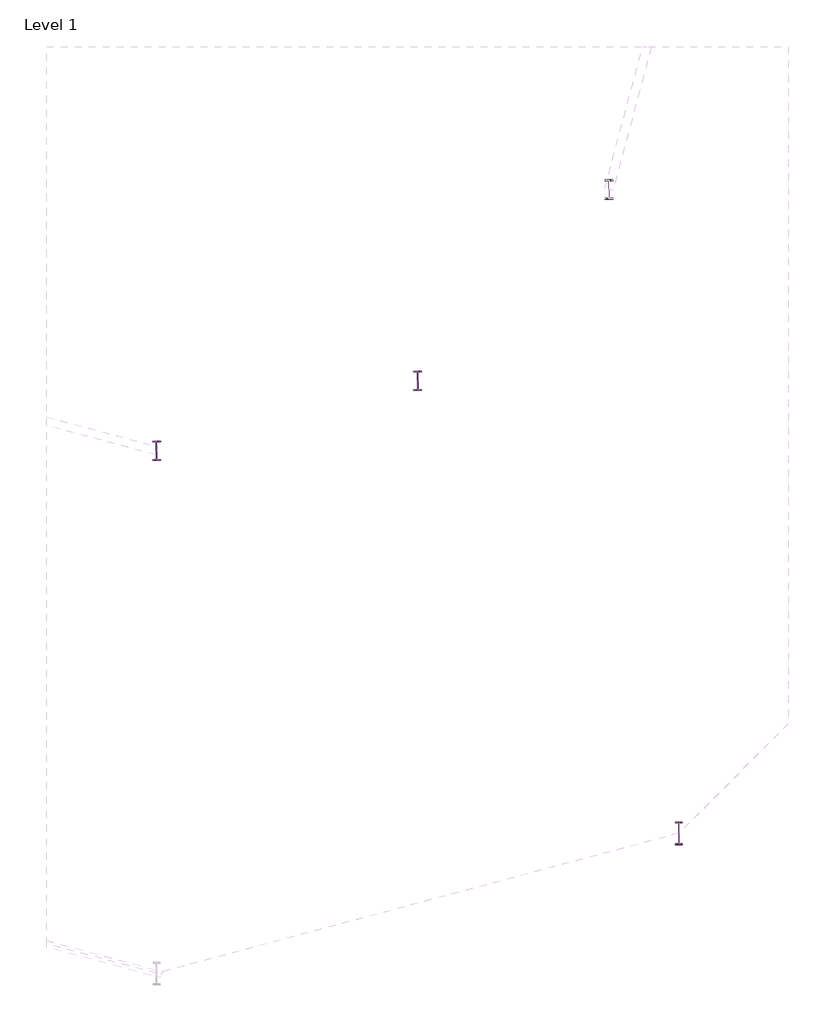
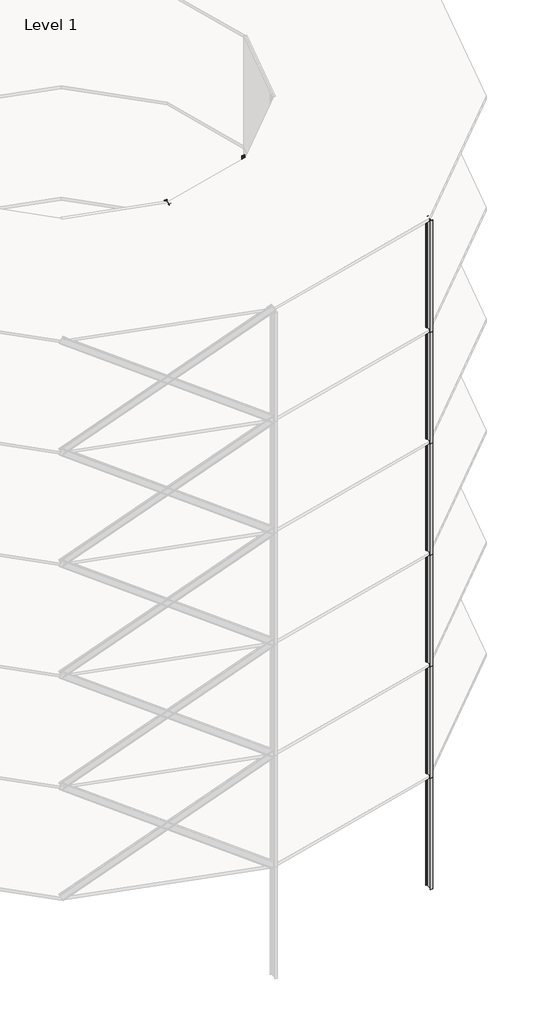
# One storey, part 3 of 9: 23 columns.
"""IFC4 building model written with IfcOpenShell, lengths in millimetres."""

from ifc_helpers import new_model, si_unit, point, frame, frame_2d, origin, origin_with_axes, place, context, project, spatial, polyline, circle_curve, trimmed, segment, composite_curve, outline, extrude, element, save

model = new_model("IFC4")

# Units and contexts
model_context = context("Model", 3, world=origin())
ifc_project = project(units=[si_unit("LENGTHUNIT", "METRE", prefix="MILLI")], contexts=[model_context])

# Site, building, storey
site = spatial("IfcSite", under=ifc_project)
building = spatial("IfcBuilding", under=site)
storey = spatial("IfcBuildingStorey", under=building, Name="Level 1", Elevation=0.0)

# Columns
placement = place(None, origin())
element("IfcColumn", 1, ObjectType="w shapes-column : W18X60", at=placement, inside=storey, context=model_context, shape_type="SweptSolid", body=[
    extrude(outline(composite_curve([segment(polyline([(96.012, -12268.8604), (96.012, -12286.6404), (15.494, -12286.6404)]), True, "CONTINUOUS"), segment(trimmed(circle_curve(frame_2d((15.494, -12296.8004)), 10.16), [point((15.494, -12286.6404))], [point((5.334, -12296.8004))], True, "CARTESIAN"), True, "CONTINUOUS"), segment(polyline([(5.334, -12296.8004), (5.334, -12703.2004)]), True, "CONTINUOUS"), segment(trimmed(circle_curve(frame_2d((15.494, -12703.2004)), 10.16), [point((5.334, -12703.2004))], [point((15.494, -12713.3604))], True, "CARTESIAN"), True, "CONTINUOUS"), segment(polyline([(15.494, -12713.3604), (96.012, -12713.3604), (96.012, -12731.1404), (-96.012, -12731.1404), (-96.012, -12713.3604), (-15.494, -12713.3604)]), True, "CONTINUOUS"), segment(trimmed(circle_curve(frame_2d((-15.494, -12703.2004)), 10.16), [point((-15.494, -12713.3604))], [point((-5.334, -12703.2004))], True, "CARTESIAN"), True, "CONTINUOUS"), segment(polyline([(-5.334, -12703.2004), (-5.334, -12296.8004)]), True, "CONTINUOUS"), segment(trimmed(circle_curve(frame_2d((-15.494, -12296.8004)), 10.16), [point((-5.334, -12296.8004))], [point((-15.494, -12286.6404))], True, "CARTESIAN"), True, "CONTINUOUS"), segment(polyline([(-15.494, -12286.6404), (-96.012, -12286.6404), (-96.012, -12268.8604), (96.012, -12268.8604)]), True, "CONTINUOUS")], self_intersect=False)), origin_with_axes(), (0.0, 0.0, 1.0), 8000.000256),
])
element("IfcColumn", 2, ObjectType="w shapes-column : W18X60", at=placement, inside=storey, context=model_context, shape_type="SweptSolid", body=[
    extrude(outline(composite_curve([segment(polyline([(96.012, -12268.8604), (96.012, -12286.6404), (15.494, -12286.6404)]), True, "CONTINUOUS"), segment(trimmed(circle_curve(frame_2d((15.494, -12296.8004)), 10.16), [point((15.494, -12286.6404))], [point((5.334, -12296.8004))], True, "CARTESIAN"), True, "CONTINUOUS"), segment(polyline([(5.334, -12296.8004), (5.334, -12703.2004)]), True, "CONTINUOUS"), segment(trimmed(circle_curve(frame_2d((15.494, -12703.2004)), 10.16), [point((5.334, -12703.2004))], [point((15.494, -12713.3604))], True, "CARTESIAN"), True, "CONTINUOUS"), segment(polyline([(15.494, -12713.3604), (96.012, -12713.3604), (96.012, -12731.1404), (-96.012, -12731.1404), (-96.012, -12713.3604), (-15.494, -12713.3604)]), True, "CONTINUOUS"), segment(trimmed(circle_curve(frame_2d((-15.494, -12703.2004)), 10.16), [point((-15.494, -12713.3604))], [point((-5.334, -12703.2004))], True, "CARTESIAN"), True, "CONTINUOUS"), segment(polyline([(-5.334, -12703.2004), (-5.334, -12296.8004)]), True, "CONTINUOUS"), segment(trimmed(circle_curve(frame_2d((-15.494, -12296.8004)), 10.16), [point((-5.334, -12296.8004))], [point((-15.494, -12286.6404))], True, "CARTESIAN"), True, "CONTINUOUS"), segment(polyline([(-15.494, -12286.6404), (-96.012, -12286.6404), (-96.012, -12268.8604), (96.012, -12268.8604)]), True, "CONTINUOUS")], self_intersect=False)), frame((0.0, 0.0, 8000.000256), z_axis=(0.0, 0.0, 1.0), x_axis=(1.0, 0.0, 0.0)), (0.0, 0.0, 1.0), 8000.000256),
])
element("IfcColumn", 3, ObjectType="w shapes-column : W18X60", at=placement, inside=storey, context=model_context, shape_type="SweptSolid", body=[
    extrude(outline(composite_curve([segment(polyline([(96.012, -12268.8604), (96.012, -12286.6404), (15.494, -12286.6404)]), True, "CONTINUOUS"), segment(trimmed(circle_curve(frame_2d((15.494, -12296.8004)), 10.16), [point((15.494, -12286.6404))], [point((5.334, -12296.8004))], True, "CARTESIAN"), True, "CONTINUOUS"), segment(polyline([(5.334, -12296.8004), (5.334, -12703.2004)]), True, "CONTINUOUS"), segment(trimmed(circle_curve(frame_2d((15.494, -12703.2004)), 10.16), [point((5.334, -12703.2004))], [point((15.494, -12713.3604))], True, "CARTESIAN"), True, "CONTINUOUS"), segment(polyline([(15.494, -12713.3604), (96.012, -12713.3604), (96.012, -12731.1404), (-96.012, -12731.1404), (-96.012, -12713.3604), (-15.494, -12713.3604)]), True, "CONTINUOUS"), segment(trimmed(circle_curve(frame_2d((-15.494, -12703.2004)), 10.16), [point((-15.494, -12713.3604))], [point((-5.334, -12703.2004))], True, "CARTESIAN"), True, "CONTINUOUS"), segment(polyline([(-5.334, -12703.2004), (-5.334, -12296.8004)]), True, "CONTINUOUS"), segment(trimmed(circle_curve(frame_2d((-15.494, -12296.8004)), 10.16), [point((-5.334, -12296.8004))], [point((-15.494, -12286.6404))], True, "CARTESIAN"), True, "CONTINUOUS"), segment(polyline([(-15.494, -12286.6404), (-96.012, -12286.6404), (-96.012, -12268.8604), (96.012, -12268.8604)]), True, "CONTINUOUS")], self_intersect=False)), frame((0.0, 0.0, 16000.000512), z_axis=(0.0, 0.0, 1.0), x_axis=(1.0, 0.0, 0.0)), (0.0, 0.0, 1.0), 8000.000256),
])
element("IfcColumn", 4, ObjectType="w shapes-column : W18X60", at=placement, inside=storey, context=model_context, shape_type="SweptSolid", body=[
    extrude(outline(composite_curve([segment(polyline([(96.012, -12268.8604), (96.012, -12286.6404), (15.494, -12286.6404)]), True, "CONTINUOUS"), segment(trimmed(circle_curve(frame_2d((15.494, -12296.8004)), 10.16), [point((15.494, -12286.6404))], [point((5.334, -12296.8004))], True, "CARTESIAN"), True, "CONTINUOUS"), segment(polyline([(5.334, -12296.8004), (5.334, -12703.2004)]), True, "CONTINUOUS"), segment(trimmed(circle_curve(frame_2d((15.494, -12703.2004)), 10.16), [point((5.334, -12703.2004))], [point((15.494, -12713.3604))], True, "CARTESIAN"), True, "CONTINUOUS"), segment(polyline([(15.494, -12713.3604), (96.012, -12713.3604), (96.012, -12731.1404), (-96.012, -12731.1404), (-96.012, -12713.3604), (-15.494, -12713.3604)]), True, "CONTINUOUS"), segment(trimmed(circle_curve(frame_2d((-15.494, -12703.2004)), 10.16), [point((-15.494, -12713.3604))], [point((-5.334, -12703.2004))], True, "CARTESIAN"), True, "CONTINUOUS"), segment(polyline([(-5.334, -12703.2004), (-5.334, -12296.8004)]), True, "CONTINUOUS"), segment(trimmed(circle_curve(frame_2d((-15.494, -12296.8004)), 10.16), [point((-5.334, -12296.8004))], [point((-15.494, -12286.6404))], True, "CARTESIAN"), True, "CONTINUOUS"), segment(polyline([(-15.494, -12286.6404), (-96.012, -12286.6404), (-96.012, -12268.8604), (96.012, -12268.8604)]), True, "CONTINUOUS")], self_intersect=False)), frame((0.0, 0.0, 24000.000768), z_axis=(0.0, 0.0, 1.0), x_axis=(1.0, 0.0, 0.0)), (0.0, 0.0, 1.0), 8000.000256),
])
element("IfcColumn", 5, ObjectType="w shapes-column : W18X60", at=placement, inside=storey, context=model_context, shape_type="SweptSolid", body=[
    extrude(outline(composite_curve([segment(polyline([(96.012, -12268.8604), (96.012, -12286.6404), (15.494, -12286.6404)]), True, "CONTINUOUS"), segment(trimmed(circle_curve(frame_2d((15.494, -12296.8004)), 10.16), [point((15.494, -12286.6404))], [point((5.334, -12296.8004))], True, "CARTESIAN"), True, "CONTINUOUS"), segment(polyline([(5.334, -12296.8004), (5.334, -12703.2004)]), True, "CONTINUOUS"), segment(trimmed(circle_curve(frame_2d((15.494, -12703.2004)), 10.16), [point((5.334, -12703.2004))], [point((15.494, -12713.3604))], True, "CARTESIAN"), True, "CONTINUOUS"), segment(polyline([(15.494, -12713.3604), (96.012, -12713.3604), (96.012, -12731.1404), (-96.012, -12731.1404), (-96.012, -12713.3604), (-15.494, -12713.3604)]), True, "CONTINUOUS"), segment(trimmed(circle_curve(frame_2d((-15.494, -12703.2004)), 10.16), [point((-15.494, -12713.3604))], [point((-5.334, -12703.2004))], True, "CARTESIAN"), True, "CONTINUOUS"), segment(polyline([(-5.334, -12703.2004), (-5.334, -12296.8004)]), True, "CONTINUOUS"), segment(trimmed(circle_curve(frame_2d((-15.494, -12296.8004)), 10.16), [point((-5.334, -12296.8004))], [point((-15.494, -12286.6404))], True, "CARTESIAN"), True, "CONTINUOUS"), segment(polyline([(-15.494, -12286.6404), (-96.012, -12286.6404), (-96.012, -12268.8604), (96.012, -12268.8604)]), True, "CONTINUOUS")], self_intersect=False)), frame((0.0, 0.0, 32000.001024), z_axis=(0.0, 0.0, 1.0), x_axis=(1.0, 0.0, 0.0)), (0.0, 0.0, 1.0), 8000.000256),
])
element("IfcColumn", 6, ObjectType="w shapes-column : W18X60", at=placement, inside=storey, context=model_context, shape_type="SweptSolid", body=[
    extrude(outline(composite_curve([segment(polyline([(96.012, -12268.8604), (96.012, -12286.6404), (15.494, -12286.6404)]), True, "CONTINUOUS"), segment(trimmed(circle_curve(frame_2d((15.494, -12296.8004)), 10.16), [point((15.494, -12286.6404))], [point((5.334, -12296.8004))], True, "CARTESIAN"), True, "CONTINUOUS"), segment(polyline([(5.334, -12296.8004), (5.334, -12703.2004)]), True, "CONTINUOUS"), segment(trimmed(circle_curve(frame_2d((15.494, -12703.2004)), 10.16), [point((5.334, -12703.2004))], [point((15.494, -12713.3604))], True, "CARTESIAN"), True, "CONTINUOUS"), segment(polyline([(15.494, -12713.3604), (96.012, -12713.3604), (96.012, -12731.1404), (-96.012, -12731.1404), (-96.012, -12713.3604), (-15.494, -12713.3604)]), True, "CONTINUOUS"), segment(trimmed(circle_curve(frame_2d((-15.494, -12703.2004)), 10.16), [point((-15.494, -12713.3604))], [point((-5.334, -12703.2004))], True, "CARTESIAN"), True, "CONTINUOUS"), segment(polyline([(-5.334, -12703.2004), (-5.334, -12296.8004)]), True, "CONTINUOUS"), segment(trimmed(circle_curve(frame_2d((-15.494, -12296.8004)), 10.16), [point((-5.334, -12296.8004))], [point((-15.494, -12286.6404))], True, "CARTESIAN"), True, "CONTINUOUS"), segment(polyline([(-15.494, -12286.6404), (-96.012, -12286.6404), (-96.012, -12268.8604), (96.012, -12268.8604)]), True, "CONTINUOUS")], self_intersect=False)), frame((0.0, 0.0, 40000.00128), z_axis=(0.0, 0.0, 1.0), x_axis=(1.0, 0.0, 0.0)), (0.0, 0.0, 1.0), 8000.000256),
])
element("IfcColumn", 7, ObjectType="w shapes-column : W18X60", at=placement, inside=storey, context=model_context, shape_type="SweptSolid", body=[
    extrude(outline(composite_curve([segment(polyline([(6346.0122, -10594.1778937), (6346.0122, -10611.9578937), (6265.4942, -10611.9578937)]), True, "CONTINUOUS"), segment(trimmed(circle_curve(frame_2d((6265.4942, -10622.1178937)), 10.16), [point((6265.4942, -10611.9578937))], [point((6255.3342, -10622.1178937))], True, "CARTESIAN"), True, "CONTINUOUS"), segment(polyline([(6255.3342, -10622.1178937), (6255.3342, -11028.5178937)]), True, "CONTINUOUS"), segment(trimmed(circle_curve(frame_2d((6265.4942, -11028.5178937)), 10.16), [point((6255.3342, -11028.5178937))], [point((6265.4942, -11038.6778937))], True, "CARTESIAN"), True, "CONTINUOUS"), segment(polyline([(6265.4942, -11038.6778937), (6346.0122, -11038.6778937), (6346.0122, -11056.4578937), (6153.9882, -11056.4578937), (6153.9882, -11038.6778937), (6234.5062, -11038.6778937)]), True, "CONTINUOUS"), segment(trimmed(circle_curve(frame_2d((6234.5062, -11028.5178937)), 10.16), [point((6234.5062, -11038.6778937))], [point((6244.6662, -11028.5178937))], True, "CARTESIAN"), True, "CONTINUOUS"), segment(polyline([(6244.6662, -11028.5178937), (6244.6662, -10622.1178937)]), True, "CONTINUOUS"), segment(trimmed(circle_curve(frame_2d((6234.5062, -10622.1178937)), 10.16), [point((6244.6662, -10622.1178937))], [point((6234.5062, -10611.9578937))], True, "CARTESIAN"), True, "CONTINUOUS"), segment(polyline([(6234.5062, -10611.9578937), (6153.9882, -10611.9578937), (6153.9882, -10594.1778937), (6346.0122, -10594.1778937)]), True, "CONTINUOUS")], self_intersect=False)), origin_with_axes(), (0.0, 0.0, 1.0), 8000.000256),
])
element("IfcColumn", 8, ObjectType="w shapes-column : W18X60", at=placement, inside=storey, context=model_context, shape_type="SweptSolid", body=[
    extrude(outline(composite_curve([segment(polyline([(6346.0122, -10594.1778937), (6346.0122, -10611.9578937), (6265.4942, -10611.9578937)]), True, "CONTINUOUS"), segment(trimmed(circle_curve(frame_2d((6265.4942, -10622.1178937)), 10.16), [point((6265.4942, -10611.9578937))], [point((6255.3342, -10622.1178937))], True, "CARTESIAN"), True, "CONTINUOUS"), segment(polyline([(6255.3342, -10622.1178937), (6255.3342, -11028.5178937)]), True, "CONTINUOUS"), segment(trimmed(circle_curve(frame_2d((6265.4942, -11028.5178937)), 10.16), [point((6255.3342, -11028.5178937))], [point((6265.4942, -11038.6778937))], True, "CARTESIAN"), True, "CONTINUOUS"), segment(polyline([(6265.4942, -11038.6778937), (6346.0122, -11038.6778937), (6346.0122, -11056.4578937), (6153.9882, -11056.4578937), (6153.9882, -11038.6778937), (6234.5062, -11038.6778937)]), True, "CONTINUOUS"), segment(trimmed(circle_curve(frame_2d((6234.5062, -11028.5178937)), 10.16), [point((6234.5062, -11038.6778937))], [point((6244.6662, -11028.5178937))], True, "CARTESIAN"), True, "CONTINUOUS"), segment(polyline([(6244.6662, -11028.5178937), (6244.6662, -10622.1178937)]), True, "CONTINUOUS"), segment(trimmed(circle_curve(frame_2d((6234.5062, -10622.1178937)), 10.16), [point((6244.6662, -10622.1178937))], [point((6234.5062, -10611.9578937))], True, "CARTESIAN"), True, "CONTINUOUS"), segment(polyline([(6234.5062, -10611.9578937), (6153.9882, -10611.9578937), (6153.9882, -10594.1778937), (6346.0122, -10594.1778937)]), True, "CONTINUOUS")], self_intersect=False)), frame((0.0, 0.0, 8000.000256), z_axis=(0.0, 0.0, 1.0), x_axis=(1.0, 0.0, 0.0)), (0.0, 0.0, 1.0), 8000.000256),
])
element("IfcColumn", 9, ObjectType="w shapes-column : W18X60", at=placement, inside=storey, context=model_context, shape_type="SweptSolid", body=[
    extrude(outline(composite_curve([segment(polyline([(6346.0122, -10594.1778937), (6346.0122, -10611.9578937), (6265.4942, -10611.9578937)]), True, "CONTINUOUS"), segment(trimmed(circle_curve(frame_2d((6265.4942, -10622.1178937)), 10.16), [point((6265.4942, -10611.9578937))], [point((6255.3342, -10622.1178937))], True, "CARTESIAN"), True, "CONTINUOUS"), segment(polyline([(6255.3342, -10622.1178937), (6255.3342, -11028.5178937)]), True, "CONTINUOUS"), segment(trimmed(circle_curve(frame_2d((6265.4942, -11028.5178937)), 10.16), [point((6255.3342, -11028.5178937))], [point((6265.4942, -11038.6778937))], True, "CARTESIAN"), True, "CONTINUOUS"), segment(polyline([(6265.4942, -11038.6778937), (6346.0122, -11038.6778937), (6346.0122, -11056.4578937), (6153.9882, -11056.4578937), (6153.9882, -11038.6778937), (6234.5062, -11038.6778937)]), True, "CONTINUOUS"), segment(trimmed(circle_curve(frame_2d((6234.5062, -11028.5178937)), 10.16), [point((6234.5062, -11038.6778937))], [point((6244.6662, -11028.5178937))], True, "CARTESIAN"), True, "CONTINUOUS"), segment(polyline([(6244.6662, -11028.5178937), (6244.6662, -10622.1178937)]), True, "CONTINUOUS"), segment(trimmed(circle_curve(frame_2d((6234.5062, -10622.1178937)), 10.16), [point((6244.6662, -10622.1178937))], [point((6234.5062, -10611.9578937))], True, "CARTESIAN"), True, "CONTINUOUS"), segment(polyline([(6234.5062, -10611.9578937), (6153.9882, -10611.9578937), (6153.9882, -10594.1778937), (6346.0122, -10594.1778937)]), True, "CONTINUOUS")], self_intersect=False)), frame((0.0, 0.0, 16000.000512), z_axis=(0.0, 0.0, 1.0), x_axis=(1.0, 0.0, 0.0)), (0.0, 0.0, 1.0), 8000.000256),
])
element("IfcColumn", 10, ObjectType="w shapes-column : W18X60", at=placement, inside=storey, context=model_context, shape_type="SweptSolid", body=[
    extrude(outline(composite_curve([segment(polyline([(6346.0122, -10594.1778937), (6346.0122, -10611.9578937), (6265.4942, -10611.9578937)]), True, "CONTINUOUS"), segment(trimmed(circle_curve(frame_2d((6265.4942, -10622.1178937)), 10.16), [point((6265.4942, -10611.9578937))], [point((6255.3342, -10622.1178937))], True, "CARTESIAN"), True, "CONTINUOUS"), segment(polyline([(6255.3342, -10622.1178937), (6255.3342, -11028.5178937)]), True, "CONTINUOUS"), segment(trimmed(circle_curve(frame_2d((6265.4942, -11028.5178937)), 10.16), [point((6255.3342, -11028.5178937))], [point((6265.4942, -11038.6778937))], True, "CARTESIAN"), True, "CONTINUOUS"), segment(polyline([(6265.4942, -11038.6778937), (6346.0122, -11038.6778937), (6346.0122, -11056.4578937), (6153.9882, -11056.4578937), (6153.9882, -11038.6778937), (6234.5062, -11038.6778937)]), True, "CONTINUOUS"), segment(trimmed(circle_curve(frame_2d((6234.5062, -11028.5178937)), 10.16), [point((6234.5062, -11038.6778937))], [point((6244.6662, -11028.5178937))], True, "CARTESIAN"), True, "CONTINUOUS"), segment(polyline([(6244.6662, -11028.5178937), (6244.6662, -10622.1178937)]), True, "CONTINUOUS"), segment(trimmed(circle_curve(frame_2d((6234.5062, -10622.1178937)), 10.16), [point((6244.6662, -10622.1178937))], [point((6234.5062, -10611.9578937))], True, "CARTESIAN"), True, "CONTINUOUS"), segment(polyline([(6234.5062, -10611.9578937), (6153.9882, -10611.9578937), (6153.9882, -10594.1778937), (6346.0122, -10594.1778937)]), True, "CONTINUOUS")], self_intersect=False)), frame((0.0, 0.0, 24000.000768), z_axis=(0.0, 0.0, 1.0), x_axis=(1.0, 0.0, 0.0)), (0.0, 0.0, 1.0), 8000.000256),
])
element("IfcColumn", 11, ObjectType="w shapes-column : W18X60", at=placement, inside=storey, context=model_context, shape_type="SweptSolid", body=[
    extrude(outline(composite_curve([segment(polyline([(6346.0122, -10594.1778937), (6346.0122, -10611.9578937), (6265.4942, -10611.9578937)]), True, "CONTINUOUS"), segment(trimmed(circle_curve(frame_2d((6265.4942, -10622.1178937)), 10.16), [point((6265.4942, -10611.9578937))], [point((6255.3342, -10622.1178937))], True, "CARTESIAN"), True, "CONTINUOUS"), segment(polyline([(6255.3342, -10622.1178937), (6255.3342, -11028.5178937)]), True, "CONTINUOUS"), segment(trimmed(circle_curve(frame_2d((6265.4942, -11028.5178937)), 10.16), [point((6255.3342, -11028.5178937))], [point((6265.4942, -11038.6778937))], True, "CARTESIAN"), True, "CONTINUOUS"), segment(polyline([(6265.4942, -11038.6778937), (6346.0122, -11038.6778937), (6346.0122, -11056.4578937), (6153.9882, -11056.4578937), (6153.9882, -11038.6778937), (6234.5062, -11038.6778937)]), True, "CONTINUOUS"), segment(trimmed(circle_curve(frame_2d((6234.5062, -11028.5178937)), 10.16), [point((6234.5062, -11038.6778937))], [point((6244.6662, -11028.5178937))], True, "CARTESIAN"), True, "CONTINUOUS"), segment(polyline([(6244.6662, -11028.5178937), (6244.6662, -10622.1178937)]), True, "CONTINUOUS"), segment(trimmed(circle_curve(frame_2d((6234.5062, -10622.1178937)), 10.16), [point((6244.6662, -10622.1178937))], [point((6234.5062, -10611.9578937))], True, "CARTESIAN"), True, "CONTINUOUS"), segment(polyline([(6234.5062, -10611.9578937), (6153.9882, -10611.9578937), (6153.9882, -10594.1778937), (6346.0122, -10594.1778937)]), True, "CONTINUOUS")], self_intersect=False)), frame((0.0, 0.0, 32000.001024), z_axis=(0.0, 0.0, 1.0), x_axis=(1.0, 0.0, 0.0)), (0.0, 0.0, 1.0), 8000.000256),
])
element("IfcColumn", 12, ObjectType="w shapes-column : W18X60", at=placement, inside=storey, context=model_context, shape_type="SweptSolid", body=[
    extrude(outline(composite_curve([segment(polyline([(6346.0122, -10594.1778937), (6346.0122, -10611.9578937), (6265.4942, -10611.9578937)]), True, "CONTINUOUS"), segment(trimmed(circle_curve(frame_2d((6265.4942, -10622.1178937)), 10.16), [point((6265.4942, -10611.9578937))], [point((6255.3342, -10622.1178937))], True, "CARTESIAN"), True, "CONTINUOUS"), segment(polyline([(6255.3342, -10622.1178937), (6255.3342, -11028.5178937)]), True, "CONTINUOUS"), segment(trimmed(circle_curve(frame_2d((6265.4942, -11028.5178937)), 10.16), [point((6255.3342, -11028.5178937))], [point((6265.4942, -11038.6778937))], True, "CARTESIAN"), True, "CONTINUOUS"), segment(polyline([(6265.4942, -11038.6778937), (6346.0122, -11038.6778937), (6346.0122, -11056.4578937), (6153.9882, -11056.4578937), (6153.9882, -11038.6778937), (6234.5062, -11038.6778937)]), True, "CONTINUOUS"), segment(trimmed(circle_curve(frame_2d((6234.5062, -11028.5178937)), 10.16), [point((6234.5062, -11038.6778937))], [point((6244.6662, -11028.5178937))], True, "CARTESIAN"), True, "CONTINUOUS"), segment(polyline([(6244.6662, -11028.5178937), (6244.6662, -10622.1178937)]), True, "CONTINUOUS"), segment(trimmed(circle_curve(frame_2d((6234.5062, -10622.1178937)), 10.16), [point((6244.6662, -10622.1178937))], [point((6234.5062, -10611.9578937))], True, "CARTESIAN"), True, "CONTINUOUS"), segment(polyline([(6234.5062, -10611.9578937), (6153.9882, -10611.9578937), (6153.9882, -10594.1778937), (6346.0122, -10594.1778937)]), True, "CONTINUOUS")], self_intersect=False)), frame((0.0, 0.0, 40000.00128), z_axis=(0.0, 0.0, 1.0), x_axis=(1.0, 0.0, 0.0)), (0.0, 0.0, 1.0), 8000.000256),
])
element("IfcColumn", 13, ObjectType="w shapes-column : W18X60", at=placement, inside=storey, context=model_context, shape_type="SweptSolid", body=[
    extrude(outline(composite_curve([segment(polyline([(10921.3298937, -6018.8602), (10921.3298937, -6036.6402), (10840.8118937, -6036.6402)]), True, "CONTINUOUS"), segment(trimmed(circle_curve(frame_2d((10840.8118937, -6046.8002)), 10.16), [point((10840.8118937, -6036.6402))], [point((10830.6518937, -6046.8002))], True, "CARTESIAN"), True, "CONTINUOUS"), segment(polyline([(10830.6518937, -6046.8002), (10830.6518937, -6453.2002)]), True, "CONTINUOUS"), segment(trimmed(circle_curve(frame_2d((10840.8118937, -6453.2002)), 10.16), [point((10830.6518937, -6453.2002))], [point((10840.8118937, -6463.3602))], True, "CARTESIAN"), True, "CONTINUOUS"), segment(polyline([(10840.8118937, -6463.3602), (10921.3298937, -6463.3602), (10921.3298937, -6481.1402), (10729.3058937, -6481.1402), (10729.3058937, -6463.3602), (10809.8238937, -6463.3602)]), True, "CONTINUOUS"), segment(trimmed(circle_curve(frame_2d((10809.8238937, -6453.2002)), 10.16), [point((10809.8238937, -6463.3602))], [point((10819.9838937, -6453.2002))], True, "CARTESIAN"), True, "CONTINUOUS"), segment(polyline([(10819.9838937, -6453.2002), (10819.9838937, -6046.8002)]), True, "CONTINUOUS"), segment(trimmed(circle_curve(frame_2d((10809.8238937, -6046.8002)), 10.16), [point((10819.9838937, -6046.8002))], [point((10809.8238937, -6036.6402))], True, "CARTESIAN"), True, "CONTINUOUS"), segment(polyline([(10809.8238937, -6036.6402), (10729.3058937, -6036.6402), (10729.3058937, -6018.8602), (10921.3298937, -6018.8602)]), True, "CONTINUOUS")], self_intersect=False)), origin_with_axes(), (0.0, 0.0, 1.0), 8000.000256),
])
element("IfcColumn", 14, ObjectType="w shapes-column : W18X60", at=placement, inside=storey, context=model_context, shape_type="SweptSolid", body=[
    extrude(outline(composite_curve([segment(polyline([(10921.3298937, -6018.8602), (10921.3298937, -6036.6402), (10840.8118937, -6036.6402)]), True, "CONTINUOUS"), segment(trimmed(circle_curve(frame_2d((10840.8118937, -6046.8002)), 10.16), [point((10840.8118937, -6036.6402))], [point((10830.6518937, -6046.8002))], True, "CARTESIAN"), True, "CONTINUOUS"), segment(polyline([(10830.6518937, -6046.8002), (10830.6518937, -6453.2002)]), True, "CONTINUOUS"), segment(trimmed(circle_curve(frame_2d((10840.8118937, -6453.2002)), 10.16), [point((10830.6518937, -6453.2002))], [point((10840.8118937, -6463.3602))], True, "CARTESIAN"), True, "CONTINUOUS"), segment(polyline([(10840.8118937, -6463.3602), (10921.3298937, -6463.3602), (10921.3298937, -6481.1402), (10729.3058937, -6481.1402), (10729.3058937, -6463.3602), (10809.8238937, -6463.3602)]), True, "CONTINUOUS"), segment(trimmed(circle_curve(frame_2d((10809.8238937, -6453.2002)), 10.16), [point((10809.8238937, -6463.3602))], [point((10819.9838937, -6453.2002))], True, "CARTESIAN"), True, "CONTINUOUS"), segment(polyline([(10819.9838937, -6453.2002), (10819.9838937, -6046.8002)]), True, "CONTINUOUS"), segment(trimmed(circle_curve(frame_2d((10809.8238937, -6046.8002)), 10.16), [point((10819.9838937, -6046.8002))], [point((10809.8238937, -6036.6402))], True, "CARTESIAN"), True, "CONTINUOUS"), segment(polyline([(10809.8238937, -6036.6402), (10729.3058937, -6036.6402), (10729.3058937, -6018.8602), (10921.3298937, -6018.8602)]), True, "CONTINUOUS")], self_intersect=False)), frame((0.0, 0.0, 8000.000256), z_axis=(0.0, 0.0, 1.0), x_axis=(1.0, 0.0, 0.0)), (0.0, 0.0, 1.0), 8000.000256),
])
element("IfcColumn", 15, ObjectType="w shapes-column : W18X60", at=placement, inside=storey, context=model_context, shape_type="SweptSolid", body=[
    extrude(outline(composite_curve([segment(polyline([(10921.3298937, -6018.8602), (10921.3298937, -6036.6402), (10840.8118937, -6036.6402)]), True, "CONTINUOUS"), segment(trimmed(circle_curve(frame_2d((10840.8118937, -6046.8002)), 10.16), [point((10840.8118937, -6036.6402))], [point((10830.6518937, -6046.8002))], True, "CARTESIAN"), True, "CONTINUOUS"), segment(polyline([(10830.6518937, -6046.8002), (10830.6518937, -6453.2002)]), True, "CONTINUOUS"), segment(trimmed(circle_curve(frame_2d((10840.8118937, -6453.2002)), 10.16), [point((10830.6518937, -6453.2002))], [point((10840.8118937, -6463.3602))], True, "CARTESIAN"), True, "CONTINUOUS"), segment(polyline([(10840.8118937, -6463.3602), (10921.3298937, -6463.3602), (10921.3298937, -6481.1402), (10729.3058937, -6481.1402), (10729.3058937, -6463.3602), (10809.8238937, -6463.3602)]), True, "CONTINUOUS"), segment(trimmed(circle_curve(frame_2d((10809.8238937, -6453.2002)), 10.16), [point((10809.8238937, -6463.3602))], [point((10819.9838937, -6453.2002))], True, "CARTESIAN"), True, "CONTINUOUS"), segment(polyline([(10819.9838937, -6453.2002), (10819.9838937, -6046.8002)]), True, "CONTINUOUS"), segment(trimmed(circle_curve(frame_2d((10809.8238937, -6046.8002)), 10.16), [point((10819.9838937, -6046.8002))], [point((10809.8238937, -6036.6402))], True, "CARTESIAN"), True, "CONTINUOUS"), segment(polyline([(10809.8238937, -6036.6402), (10729.3058937, -6036.6402), (10729.3058937, -6018.8602), (10921.3298937, -6018.8602)]), True, "CONTINUOUS")], self_intersect=False)), frame((0.0, 0.0, 16000.000512), z_axis=(0.0, 0.0, 1.0), x_axis=(1.0, 0.0, 0.0)), (0.0, 0.0, 1.0), 8000.000256),
])
element("IfcColumn", 16, ObjectType="w shapes-column : W18X60", at=placement, inside=storey, context=model_context, shape_type="SweptSolid", body=[
    extrude(outline(composite_curve([segment(polyline([(10921.3298937, -6018.8602), (10921.3298937, -6036.6402), (10840.8118937, -6036.6402)]), True, "CONTINUOUS"), segment(trimmed(circle_curve(frame_2d((10840.8118937, -6046.8002)), 10.16), [point((10840.8118937, -6036.6402))], [point((10830.6518937, -6046.8002))], True, "CARTESIAN"), True, "CONTINUOUS"), segment(polyline([(10830.6518937, -6046.8002), (10830.6518937, -6453.2002)]), True, "CONTINUOUS"), segment(trimmed(circle_curve(frame_2d((10840.8118937, -6453.2002)), 10.16), [point((10830.6518937, -6453.2002))], [point((10840.8118937, -6463.3602))], True, "CARTESIAN"), True, "CONTINUOUS"), segment(polyline([(10840.8118937, -6463.3602), (10921.3298937, -6463.3602), (10921.3298937, -6481.1402), (10729.3058937, -6481.1402), (10729.3058937, -6463.3602), (10809.8238937, -6463.3602)]), True, "CONTINUOUS"), segment(trimmed(circle_curve(frame_2d((10809.8238937, -6453.2002)), 10.16), [point((10809.8238937, -6463.3602))], [point((10819.9838937, -6453.2002))], True, "CARTESIAN"), True, "CONTINUOUS"), segment(polyline([(10819.9838937, -6453.2002), (10819.9838937, -6046.8002)]), True, "CONTINUOUS"), segment(trimmed(circle_curve(frame_2d((10809.8238937, -6046.8002)), 10.16), [point((10819.9838937, -6046.8002))], [point((10809.8238937, -6036.6402))], True, "CARTESIAN"), True, "CONTINUOUS"), segment(polyline([(10809.8238937, -6036.6402), (10729.3058937, -6036.6402), (10729.3058937, -6018.8602), (10921.3298937, -6018.8602)]), True, "CONTINUOUS")], self_intersect=False)), frame((0.0, 0.0, 24000.000768), z_axis=(0.0, 0.0, 1.0), x_axis=(1.0, 0.0, 0.0)), (0.0, 0.0, 1.0), 8000.000256),
])
element("IfcColumn", 17, ObjectType="w shapes-column : W18X60", at=placement, inside=storey, context=model_context, shape_type="SweptSolid", body=[
    extrude(outline(composite_curve([segment(polyline([(10921.3298937, -6018.8602), (10921.3298937, -6036.6402), (10840.8118937, -6036.6402)]), True, "CONTINUOUS"), segment(trimmed(circle_curve(frame_2d((10840.8118937, -6046.8002)), 10.16), [point((10840.8118937, -6036.6402))], [point((10830.6518937, -6046.8002))], True, "CARTESIAN"), True, "CONTINUOUS"), segment(polyline([(10830.6518937, -6046.8002), (10830.6518937, -6453.2002)]), True, "CONTINUOUS"), segment(trimmed(circle_curve(frame_2d((10840.8118937, -6453.2002)), 10.16), [point((10830.6518937, -6453.2002))], [point((10840.8118937, -6463.3602))], True, "CARTESIAN"), True, "CONTINUOUS"), segment(polyline([(10840.8118937, -6463.3602), (10921.3298937, -6463.3602), (10921.3298937, -6481.1402), (10729.3058937, -6481.1402), (10729.3058937, -6463.3602), (10809.8238937, -6463.3602)]), True, "CONTINUOUS"), segment(trimmed(circle_curve(frame_2d((10809.8238937, -6453.2002)), 10.16), [point((10809.8238937, -6463.3602))], [point((10819.9838937, -6453.2002))], True, "CARTESIAN"), True, "CONTINUOUS"), segment(polyline([(10819.9838937, -6453.2002), (10819.9838937, -6046.8002)]), True, "CONTINUOUS"), segment(trimmed(circle_curve(frame_2d((10809.8238937, -6046.8002)), 10.16), [point((10819.9838937, -6046.8002))], [point((10809.8238937, -6036.6402))], True, "CARTESIAN"), True, "CONTINUOUS"), segment(polyline([(10809.8238937, -6036.6402), (10729.3058937, -6036.6402), (10729.3058937, -6018.8602), (10921.3298937, -6018.8602)]), True, "CONTINUOUS")], self_intersect=False)), frame((0.0, 0.0, 32000.001024), z_axis=(0.0, 0.0, 1.0), x_axis=(1.0, 0.0, 0.0)), (0.0, 0.0, 1.0), 8000.000256),
])
element("IfcColumn", 18, ObjectType="w shapes-column : W21X50", at=placement, inside=storey, context=model_context, shape_type="SweptSolid", body=[
    extrude(outline(composite_curve([segment(polyline([(12582.9314, -21386.4757874), (12582.9314, -21400.1917874), (12517.5264, -21400.1917874)]), True, "CONTINUOUS"), segment(trimmed(circle_curve(frame_2d((12517.5264, -21412.8917874)), 12.7), [point((12517.5264, -21400.1917874))], [point((12504.8264, -21412.8917874))], True, "CARTESIAN"), True, "CONTINUOUS"), segment(polyline([(12504.8264, -21412.8917874), (12504.8264, -21888.3797874)]), True, "CONTINUOUS"), segment(trimmed(circle_curve(frame_2d((12517.5264, -21888.3797874)), 12.7), [point((12504.8264, -21888.3797874))], [point((12517.5264, -21901.0797874))], True, "CARTESIAN"), True, "CONTINUOUS"), segment(polyline([(12517.5264, -21901.0797874), (12582.9314, -21901.0797874), (12582.9314, -21914.7957874), (12417.0694, -21914.7957874), (12417.0694, -21901.0797874), (12482.4744, -21901.0797874)]), True, "CONTINUOUS"), segment(trimmed(circle_curve(frame_2d((12482.4744, -21888.3797874)), 12.7), [point((12482.4744, -21901.0797874))], [point((12495.1744, -21888.3797874))], True, "CARTESIAN"), True, "CONTINUOUS"), segment(polyline([(12495.1744, -21888.3797874), (12495.1744, -21412.8917874)]), True, "CONTINUOUS"), segment(trimmed(circle_curve(frame_2d((12482.4744, -21412.8917874)), 12.7), [point((12495.1744, -21412.8917874))], [point((12482.4744, -21400.1917874))], True, "CARTESIAN"), True, "CONTINUOUS"), segment(polyline([(12482.4744, -21400.1917874), (12417.0694, -21400.1917874), (12417.0694, -21386.4757874), (12582.9314, -21386.4757874)]), True, "CONTINUOUS")], self_intersect=False)), origin_with_axes(), (0.0, 0.0, 1.0), 8000.000256),
])
element("IfcColumn", 19, ObjectType="w shapes-column : W21X50", at=placement, inside=storey, context=model_context, shape_type="SweptSolid", body=[
    extrude(outline(composite_curve([segment(polyline([(12582.9314, -21386.4757874), (12582.9314, -21400.1917874), (12517.5264, -21400.1917874)]), True, "CONTINUOUS"), segment(trimmed(circle_curve(frame_2d((12517.5264, -21412.8917874)), 12.7), [point((12517.5264, -21400.1917874))], [point((12504.8264, -21412.8917874))], True, "CARTESIAN"), True, "CONTINUOUS"), segment(polyline([(12504.8264, -21412.8917874), (12504.8264, -21888.3797874)]), True, "CONTINUOUS"), segment(trimmed(circle_curve(frame_2d((12517.5264, -21888.3797874)), 12.7), [point((12504.8264, -21888.3797874))], [point((12517.5264, -21901.0797874))], True, "CARTESIAN"), True, "CONTINUOUS"), segment(polyline([(12517.5264, -21901.0797874), (12582.9314, -21901.0797874), (12582.9314, -21914.7957874), (12417.0694, -21914.7957874), (12417.0694, -21901.0797874), (12482.4744, -21901.0797874)]), True, "CONTINUOUS"), segment(trimmed(circle_curve(frame_2d((12482.4744, -21888.3797874)), 12.7), [point((12482.4744, -21901.0797874))], [point((12495.1744, -21888.3797874))], True, "CARTESIAN"), True, "CONTINUOUS"), segment(polyline([(12495.1744, -21888.3797874), (12495.1744, -21412.8917874)]), True, "CONTINUOUS"), segment(trimmed(circle_curve(frame_2d((12482.4744, -21412.8917874)), 12.7), [point((12495.1744, -21412.8917874))], [point((12482.4744, -21400.1917874))], True, "CARTESIAN"), True, "CONTINUOUS"), segment(polyline([(12482.4744, -21400.1917874), (12417.0694, -21400.1917874), (12417.0694, -21386.4757874), (12582.9314, -21386.4757874)]), True, "CONTINUOUS")], self_intersect=False)), frame((0.0, 0.0, 8000.000256), z_axis=(0.0, 0.0, 1.0), x_axis=(1.0, 0.0, 0.0)), (0.0, 0.0, 1.0), 8000.000256),
])
element("IfcColumn", 20, ObjectType="w shapes-column : W21X50", at=placement, inside=storey, context=model_context, shape_type="SweptSolid", body=[
    extrude(outline(composite_curve([segment(polyline([(12582.9314, -21386.4757874), (12582.9314, -21400.1917874), (12517.5264, -21400.1917874)]), True, "CONTINUOUS"), segment(trimmed(circle_curve(frame_2d((12517.5264, -21412.8917874)), 12.7), [point((12517.5264, -21400.1917874))], [point((12504.8264, -21412.8917874))], True, "CARTESIAN"), True, "CONTINUOUS"), segment(polyline([(12504.8264, -21412.8917874), (12504.8264, -21888.3797874)]), True, "CONTINUOUS"), segment(trimmed(circle_curve(frame_2d((12517.5264, -21888.3797874)), 12.7), [point((12504.8264, -21888.3797874))], [point((12517.5264, -21901.0797874))], True, "CARTESIAN"), True, "CONTINUOUS"), segment(polyline([(12517.5264, -21901.0797874), (12582.9314, -21901.0797874), (12582.9314, -21914.7957874), (12417.0694, -21914.7957874), (12417.0694, -21901.0797874), (12482.4744, -21901.0797874)]), True, "CONTINUOUS"), segment(trimmed(circle_curve(frame_2d((12482.4744, -21888.3797874)), 12.7), [point((12482.4744, -21901.0797874))], [point((12495.1744, -21888.3797874))], True, "CARTESIAN"), True, "CONTINUOUS"), segment(polyline([(12495.1744, -21888.3797874), (12495.1744, -21412.8917874)]), True, "CONTINUOUS"), segment(trimmed(circle_curve(frame_2d((12482.4744, -21412.8917874)), 12.7), [point((12495.1744, -21412.8917874))], [point((12482.4744, -21400.1917874))], True, "CARTESIAN"), True, "CONTINUOUS"), segment(polyline([(12482.4744, -21400.1917874), (12417.0694, -21400.1917874), (12417.0694, -21386.4757874), (12582.9314, -21386.4757874)]), True, "CONTINUOUS")], self_intersect=False)), frame((0.0, 0.0, 16000.000512), z_axis=(0.0, 0.0, 1.0), x_axis=(1.0, 0.0, 0.0)), (0.0, 0.0, 1.0), 8000.000256),
])
element("IfcColumn", 21, ObjectType="w shapes-column : W21X50", at=placement, inside=storey, context=model_context, shape_type="SweptSolid", body=[
    extrude(outline(composite_curve([segment(polyline([(12582.9314, -21386.4757874), (12582.9314, -21400.1917874), (12517.5264, -21400.1917874)]), True, "CONTINUOUS"), segment(trimmed(circle_curve(frame_2d((12517.5264, -21412.8917874)), 12.7), [point((12517.5264, -21400.1917874))], [point((12504.8264, -21412.8917874))], True, "CARTESIAN"), True, "CONTINUOUS"), segment(polyline([(12504.8264, -21412.8917874), (12504.8264, -21888.3797874)]), True, "CONTINUOUS"), segment(trimmed(circle_curve(frame_2d((12517.5264, -21888.3797874)), 12.7), [point((12504.8264, -21888.3797874))], [point((12517.5264, -21901.0797874))], True, "CARTESIAN"), True, "CONTINUOUS"), segment(polyline([(12517.5264, -21901.0797874), (12582.9314, -21901.0797874), (12582.9314, -21914.7957874), (12417.0694, -21914.7957874), (12417.0694, -21901.0797874), (12482.4744, -21901.0797874)]), True, "CONTINUOUS"), segment(trimmed(circle_curve(frame_2d((12482.4744, -21888.3797874)), 12.7), [point((12482.4744, -21901.0797874))], [point((12495.1744, -21888.3797874))], True, "CARTESIAN"), True, "CONTINUOUS"), segment(polyline([(12495.1744, -21888.3797874), (12495.1744, -21412.8917874)]), True, "CONTINUOUS"), segment(trimmed(circle_curve(frame_2d((12482.4744, -21412.8917874)), 12.7), [point((12495.1744, -21412.8917874))], [point((12482.4744, -21400.1917874))], True, "CARTESIAN"), True, "CONTINUOUS"), segment(polyline([(12482.4744, -21400.1917874), (12417.0694, -21400.1917874), (12417.0694, -21386.4757874), (12582.9314, -21386.4757874)]), True, "CONTINUOUS")], self_intersect=False)), frame((0.0, 0.0, 24000.000768), z_axis=(0.0, 0.0, 1.0), x_axis=(1.0, 0.0, 0.0)), (0.0, 0.0, 1.0), 8000.000256),
])
element("IfcColumn", 22, ObjectType="w shapes-column : W21X50", at=placement, inside=storey, context=model_context, shape_type="SweptSolid", body=[
    extrude(outline(composite_curve([segment(polyline([(12582.9314, -21386.4757874), (12582.9314, -21400.1917874), (12517.5264, -21400.1917874)]), True, "CONTINUOUS"), segment(trimmed(circle_curve(frame_2d((12517.5264, -21412.8917874)), 12.7), [point((12517.5264, -21400.1917874))], [point((12504.8264, -21412.8917874))], True, "CARTESIAN"), True, "CONTINUOUS"), segment(polyline([(12504.8264, -21412.8917874), (12504.8264, -21888.3797874)]), True, "CONTINUOUS"), segment(trimmed(circle_curve(frame_2d((12517.5264, -21888.3797874)), 12.7), [point((12504.8264, -21888.3797874))], [point((12517.5264, -21901.0797874))], True, "CARTESIAN"), True, "CONTINUOUS"), segment(polyline([(12517.5264, -21901.0797874), (12582.9314, -21901.0797874), (12582.9314, -21914.7957874), (12417.0694, -21914.7957874), (12417.0694, -21901.0797874), (12482.4744, -21901.0797874)]), True, "CONTINUOUS"), segment(trimmed(circle_curve(frame_2d((12482.4744, -21888.3797874)), 12.7), [point((12482.4744, -21901.0797874))], [point((12495.1744, -21888.3797874))], True, "CARTESIAN"), True, "CONTINUOUS"), segment(polyline([(12495.1744, -21888.3797874), (12495.1744, -21412.8917874)]), True, "CONTINUOUS"), segment(trimmed(circle_curve(frame_2d((12482.4744, -21412.8917874)), 12.7), [point((12495.1744, -21412.8917874))], [point((12482.4744, -21400.1917874))], True, "CARTESIAN"), True, "CONTINUOUS"), segment(polyline([(12482.4744, -21400.1917874), (12417.0694, -21400.1917874), (12417.0694, -21386.4757874), (12582.9314, -21386.4757874)]), True, "CONTINUOUS")], self_intersect=False)), frame((0.0, 0.0, 32000.001024), z_axis=(0.0, 0.0, 1.0), x_axis=(1.0, 0.0, 0.0)), (0.0, 0.0, 1.0), 8000.000256),
])
element("IfcColumn", 23, ObjectType="w shapes-column : W21X50", at=placement, inside=storey, context=model_context, shape_type="SweptSolid", body=[
    extrude(outline(composite_curve([segment(polyline([(12582.9314, -21386.4757874), (12582.9314, -21400.1917874), (12517.5264, -21400.1917874)]), True, "CONTINUOUS"), segment(trimmed(circle_curve(frame_2d((12517.5264, -21412.8917874)), 12.7), [point((12517.5264, -21400.1917874))], [point((12504.8264, -21412.8917874))], True, "CARTESIAN"), True, "CONTINUOUS"), segment(polyline([(12504.8264, -21412.8917874), (12504.8264, -21888.3797874)]), True, "CONTINUOUS"), segment(trimmed(circle_curve(frame_2d((12517.5264, -21888.3797874)), 12.7), [point((12504.8264, -21888.3797874))], [point((12517.5264, -21901.0797874))], True, "CARTESIAN"), True, "CONTINUOUS"), segment(polyline([(12517.5264, -21901.0797874), (12582.9314, -21901.0797874), (12582.9314, -21914.7957874), (12417.0694, -21914.7957874), (12417.0694, -21901.0797874), (12482.4744, -21901.0797874)]), True, "CONTINUOUS"), segment(trimmed(circle_curve(frame_2d((12482.4744, -21888.3797874)), 12.7), [point((12482.4744, -21901.0797874))], [point((12495.1744, -21888.3797874))], True, "CARTESIAN"), True, "CONTINUOUS"), segment(polyline([(12495.1744, -21888.3797874), (12495.1744, -21412.8917874)]), True, "CONTINUOUS"), segment(trimmed(circle_curve(frame_2d((12482.4744, -21412.8917874)), 12.7), [point((12495.1744, -21412.8917874))], [point((12482.4744, -21400.1917874))], True, "CARTESIAN"), True, "CONTINUOUS"), segment(polyline([(12482.4744, -21400.1917874), (12417.0694, -21400.1917874), (12417.0694, -21386.4757874), (12582.9314, -21386.4757874)]), True, "CONTINUOUS")], self_intersect=False)), frame((0.0, 0.0, 40000.00128), z_axis=(0.0, 0.0, 1.0), x_axis=(1.0, 0.0, 0.0)), (0.0, 0.0, 1.0), 8000.000256),
])

save(model, "model.ifc")
